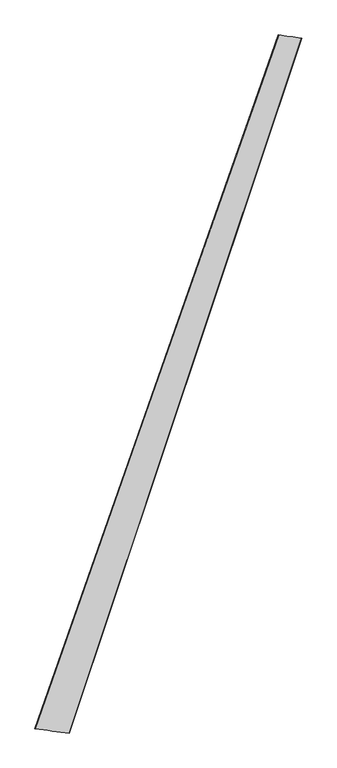
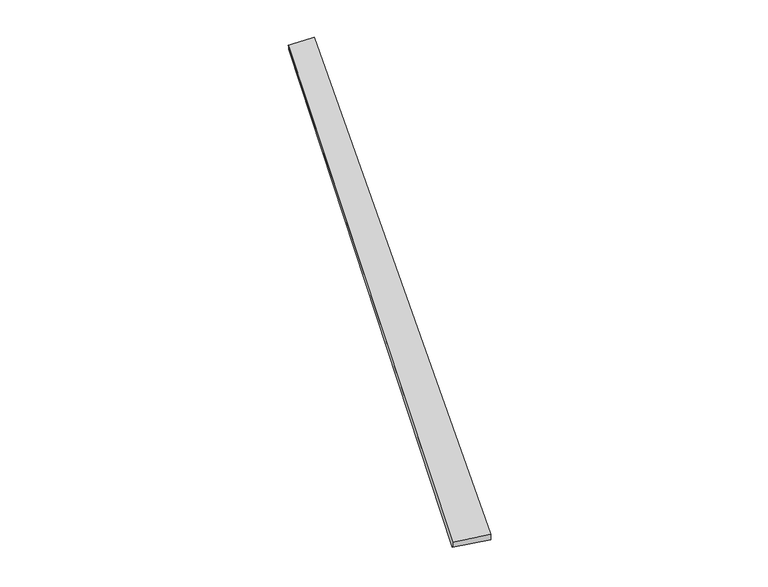
"""IFC4 building model written with IfcOpenShell, lengths in millimetres: proxy geometry."""

from ifc_helpers import new_model, si_unit, origin, place, context, project, spatial, source, transform, mapped, element, save
from ifc_brep_helpers import spline_surface, advanced_brep


def generic_models_b49f842c(model_context):
    return source(origin(), model_context, "Body", "AdvancedBrep", [
        advanced_brep(
        [(-689.2968553, -1746.2187001, 4.6021891), (-688.3981157, -1746.44681, 34.5878562), (675.7398053, 2147.737822, 23.0530391), (678.6537604, 2146.6265798, -6.7844207), (-495.5834627, -1769.7974627, 25.331371), (805.0263377, 2129.616808, 36.6236901), (-497.3871383, -1769.1058709, -4.606372), (808.0302332, 2128.6979913, 6.7886036)],
        [
            (0, 1),
            (1, 2),
            (2, 3),
            (3, 0),
            (1, 4),
            (4, 5),
            (5, 2),
            (4, 6),
            (6, 7),
            (7, 5),
            (6, 0),
            (3, 7),
        ],
        [
            spline_surface(1, 1, [[(-689.2968553, -1746.2187001, 4.6021891), (678.6537604, 2146.6265798, -6.7844207)], [(-688.3981157, -1746.44681, 34.5878562), (675.7398053, 2147.737822, 23.0530391)]], [2, 2], [2, 2], [0.0, 1.0], [0.0, 1.0]),
            spline_surface(1, 1, [[(-688.3981157, -1746.44681, 34.5878562), (675.7398053, 2147.737822, 23.0530391)], [(-495.5834627, -1769.7974627, 25.331371), (805.0263377, 2129.616808, 36.6236901)]], [2, 2], [2, 2], [0.0, 1.0], [0.0, 1.0]),
            spline_surface(1, 1, [[(-495.5834627, -1769.7974627, 25.331371), (805.0263377, 2129.616808, 36.6236901)], [(-497.3871383, -1769.1058709, -4.606372), (808.0302332, 2128.6979913, 6.7886036)]], [2, 2], [2, 2], [0.0, 1.0], [0.0, 1.0]),
            spline_surface(1, 1, [[(-497.3871383, -1769.1058709, -4.606372), (808.0302332, 2128.6979913, 6.7886036)], [(-689.2968553, -1746.2187001, 4.6021891), (678.6537604, 2146.6265798, -6.7844207)]], [2, 2], [2, 2], [0.0, 1.0], [0.0, 1.0]),
            spline_surface(1, 1, [[(675.7398053, 2147.737822, 23.0530391), (678.6537604, 2146.6265798, -6.7844207)], [(805.0263377, 2129.616808, 36.6236901), (808.0302332, 2128.6979913, 6.7886036)]], [2, 2], [2, 2], [0.0, 1.0], [0.0, 1.0]),
            spline_surface(1, 1, [[(-497.3871383, -1769.1058709, -4.606372), (-689.2968553, -1746.2187001, 4.6021891)], [(-495.5834627, -1769.7974627, 25.331371), (-688.3981157, -1746.44681, 34.5878562)]], [2, 2], [2, 2], [0.0, 1.0], [0.0, 1.0]),
        ],
        [
            (0, [[1, 2, 3, 4]]),
            (1, [[5, 6, 7, -2]]),
            (2, [[8, 9, 10, -6]]),
            (3, [[11, -4, 12, -9]]),
            (4, [[-3, -7, -10, -12]]),
            (5, [[-11, -8, -5, -1]]),
        ],
    ),
    ])


if __name__ == "__main__":
    model = new_model("IFC4")
    model_context = context("Model", 3, world=origin())
    ifc_project = project(units=[si_unit("LENGTHUNIT", "METRE", prefix="MILLI")], contexts=[model_context])
    site = spatial("IfcSite", under=ifc_project)
    building = spatial("IfcBuilding", under=site)
    placement = place(None, origin())
    generic_models_shape = generic_models_b49f842c(model_context)
    element("IfcBuildingElementProxy", 1, Name="Generic Models", at=placement, inside=building, context=model_context, shape_type="MappedRepresentation", body=[
        mapped(generic_models_shape, transform((0.0, 0.0, 0.0), x_axis=(1.0, 0.0, 0.0), y_axis=(0.0, 1.0, 0.0), z_axis=(0.0, 0.0, 1.0))),
    ])
    save(model, "model.ifc")
